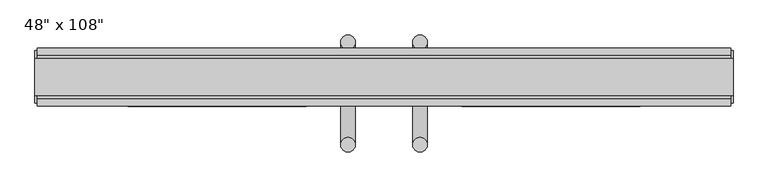
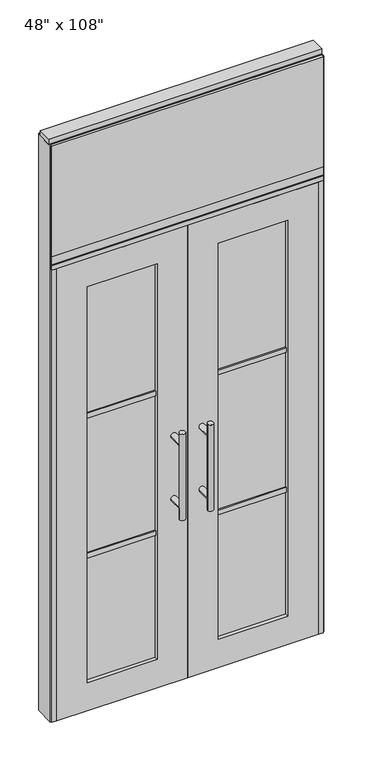
"""IFC4 building model written with IfcOpenShell, lengths in millimetres: furniture geometry."""

import ifcopenshell
import ifcopenshell.guid

model = None  # the IFC model being written
_history = None  # IfcOwnerHistory: only IFC2X3 demands one
_inside = {}  # id of a spatial element -> (the spatial element, [elements in it])
_under = {}  # id of a project, library or spatial element -> (it, [spatial elements below it])
_declared = {}  # id of a project -> (the project, [libraries it declares])
_typed = {}  # id of a type object -> (the type object, [elements of that type])
_made_of = {}  # id of a material, layer set ... -> (it, [elements and type objects made of it])


def new_model(schema):
    """Start an empty IFC model of exactly this schema.

    Asked for "IFC4X3", IfcOpenShell would pick the latest addendum, in which some entities
    have other attributes; the version numbers below select the first issue.
    IFC2X3 requires an IfcOwnerHistory on every rooted entity: one is made here for all.
    """
    global model, _history
    if schema == "IFC4X3":
        model = ifcopenshell.file(schema_version=(4, 3, 0, 0))
    else:
        model = ifcopenshell.file(schema=schema)
    _inside.clear()
    _under.clear()
    _declared.clear()
    _typed.clear()
    _made_of.clear()
    _history = None
    if model.schema == "IFC2X3":
        org = make("IfcOrganization", Name="unknown")
        user = make(
            "IfcPersonAndOrganization",
            ThePerson=make("IfcPerson", FamilyName="unknown"),
            TheOrganization=org,
        )
        app = make(
            "IfcApplication",
            ApplicationDeveloper=org,
            Version="unknown",
            ApplicationFullName="unknown",
            ApplicationIdentifier="unknown",
        )
        _history = make(
            "IfcOwnerHistory",
            OwningUser=user,
            OwningApplication=app,
            ChangeAction="ADDED",
            CreationDate=0,
        )
    return model


def make(cls, **values):
    """One entity of the class cls with the attributes given. An attribute that is None is left unset."""
    return model.create_entity(
        cls, **{name: value for name, value in values.items() if value is not None}
    )


def rooted(cls, **values):
    """An entity with a GlobalId (a new one), such as an element, a storey or a relation."""
    return make(cls, GlobalId=ifcopenshell.guid.new(), OwnerHistory=_history, **values)


def si_unit(unit_type, name, prefix=None):
    """IfcSIUnit, for example si_unit("LENGTHUNIT", "METRE", prefix="MILLI")."""
    return make("IfcSIUnit", UnitType=unit_type, Prefix=prefix, Name=name)


def assignment(units):
    """IfcUnitAssignment: the units of a project."""
    return None if units is None else make("IfcUnitAssignment", Units=units)


def point(xyz):
    """IfcCartesianPoint."""
    return None if xyz is None else make("IfcCartesianPoint", Coordinates=xyz)


def direction(xyz):
    """IfcDirection."""
    return None if xyz is None else make("IfcDirection", DirectionRatios=xyz)


def frame(location, z_axis=None, x_axis=None):
    """IfcAxis2Placement3D, a coordinate frame: its origin and axes. An axis left out is left unset."""
    return make(
        "IfcAxis2Placement3D",
        Location=point(location),
        Axis=direction(z_axis),
        RefDirection=direction(x_axis),
    )


def origin():
    """The frame at (0, 0, 0) with its axes left unset."""
    return frame((0.0, 0.0, 0.0))


def origin_with_axes():
    """The frame at (0, 0, 0) with the z axis (0, 0, 1) and the x axis (1, 0, 0) written out."""
    return frame((0.0, 0.0, 0.0), z_axis=(0.0, 0.0, 1.0), x_axis=(1.0, 0.0, 0.0))


def place(relative_to, where):
    """IfcLocalPlacement: puts the frame where relative to a parent placement (None: the world)."""
    return make(
        "IfcLocalPlacement", PlacementRelTo=relative_to, RelativePlacement=where
    )


def context(
    kind, dimensions, precision=None, world=None, true_north=None, identifier=None
):
    """IfcGeometricRepresentationContext, for example the 3D "Model" context."""
    return make(
        "IfcGeometricRepresentationContext",
        ContextIdentifier=identifier,
        ContextType=kind,
        CoordinateSpaceDimension=dimensions,
        Precision=precision,
        WorldCoordinateSystem=world,
        TrueNorth=true_north,
    )


def project(units=None, contexts=None):
    """IfcProject with its units and contexts."""
    return rooted(
        "IfcProject",
        Name="project",
        RepresentationContexts=contexts,
        UnitsInContext=assignment(units),
    )


def spatial(cls, under=None, at=None, **own):
    """A site, building, storey or space (cls), placed at a placement, below another one or the project."""
    s = rooted(cls, ObjectPlacement=at, **own)
    if under is not None:
        _under.setdefault(under.id(), (under, []))[1].append(s)
    return s


def polyline(points):
    """IfcPolyline through the points."""
    return make("IfcPolyline", Points=[point(p) for p in points])


def circle_curve(where, radius):
    """IfcCircle in the frame where."""
    return make("IfcCircle", Position=where, Radius=radius)


def ellipse_curve(where, semi_axis1, semi_axis2):
    """IfcEllipse in the frame where."""
    return make(
        "IfcEllipse", Position=where, SemiAxis1=semi_axis1, SemiAxis2=semi_axis2
    )


def outline(outer, holes=None, kind="AREA"):
    """IfcArbitraryClosedProfileDef: a profile drawn as a closed curve; with holes, ...WithVoids."""
    if holes is None:
        return make("IfcArbitraryClosedProfileDef", ProfileType=kind, OuterCurve=outer)
    return make(
        "IfcArbitraryProfileDefWithVoids",
        ProfileType=kind,
        OuterCurve=outer,
        InnerCurves=holes,
    )


def extrude(swept, where, along, depth):
    """IfcExtrudedAreaSolid: the profile swept, set in the frame where, extruded along a direction by depth."""
    return make(
        "IfcExtrudedAreaSolid",
        SweptArea=swept,
        Position=where,
        ExtrudedDirection=direction(along),
        Depth=depth,
    )


def shape(context_of_items, identifier, shape_type, items):
    """IfcShapeRepresentation: the items that make up one representation, for example the "Body"."""
    return make(
        "IfcShapeRepresentation",
        ContextOfItems=context_of_items,
        RepresentationIdentifier=identifier,
        RepresentationType=shape_type,
        Items=items,
    )


def source(mapping_origin, context_of_items, identifier, shape_type, items):
    """IfcRepresentationMap: a shape defined once, which mapped items show again and again."""
    return make(
        "IfcRepresentationMap",
        MappingOrigin=mapping_origin,
        MappedRepresentation=shape(context_of_items, identifier, shape_type, items),
    )


def transform(
    local_origin,
    x_axis=None,
    y_axis=None,
    z_axis=None,
    scale=None,
    scale2=None,
    scale3=None,
    uniform=True,
):
    """IfcCartesianTransformationOperator3D, or its non-uniform kind. x_axis, y_axis, z_axis: its Axis1, 2, 3."""
    if uniform:
        return make(
            "IfcCartesianTransformationOperator3D",
            Axis1=direction(x_axis),
            Axis2=direction(y_axis),
            LocalOrigin=point(local_origin),
            Scale=scale,
            Axis3=direction(z_axis),
        )
    return make(
        "IfcCartesianTransformationOperator3DnonUniform",
        Axis1=direction(x_axis),
        Axis2=direction(y_axis),
        LocalOrigin=point(local_origin),
        Scale=scale,
        Axis3=direction(z_axis),
        Scale2=scale2,
        Scale3=scale3,
    )


def mapped(mapping_source, mapping_target):
    """IfcMappedItem: shows the shape of a source again, moved by a transform."""
    return make(
        "IfcMappedItem", MappingSource=mapping_source, MappingTarget=mapping_target
    )


def made_of(thing, what):
    """Note that an element or type object is made of a material, layer set ...; save() writes the relation."""
    if what is not None:
        _made_of.setdefault(what.id(), (what, []))[1].append(thing)
    return thing


def element(
    cls,
    number,
    at=None,
    inside=None,
    cuts=None,
    type_object=None,
    material=None,
    context=None,
    identifier="Body",
    shape_type=None,
    held_by="IfcProductDefinitionShape",
    body=None,
    shapes=None,
    **own,
):
    """One element of the class cls, such as IfcWall. Its Tag is "e" and its number.

    at: its placement. inside: the storey or other place that contains it. cuts: it is an
    opening in that element (IfcRelVoidsElement). A single representation is given by context,
    identifier, shape_type and body (its items); several are given by shapes. held_by: the class
    of the entity that holds the representations. save() writes the other relations.
    """
    e = rooted(cls, Tag="e%d" % number, ObjectPlacement=at, **own)
    if body is not None:
        shapes = [shape(context, identifier, shape_type, body)]
    if shapes is not None:
        e.Representation = make(held_by, Representations=shapes)
    if inside is not None:
        _inside.setdefault(inside.id(), (inside, []))[1].append(e)
    if cuts is not None:
        rooted(
            "IfcRelVoidsElement", RelatingBuildingElement=cuts, RelatedOpeningElement=e
        )
    if type_object is not None:
        _typed.setdefault(type_object.id(), (type_object, []))[1].append(e)
    return made_of(e, material)


def aggregate(whole, parts):
    """IfcRelAggregates: a whole, such as a stair, and the parts it consists of."""
    return rooted("IfcRelAggregates", RelatingObject=whole, RelatedObjects=parts)


def save(model, path):
    """Write the relations noted so far, then the file.

    IfcRelAggregates (storeys below a building ...), IfcRelContainedInSpatialStructure (elements
    in a storey), IfcRelDefinesByType, IfcRelAssociatesMaterial and IfcRelDeclares: one each for
    every whole, place, type object, material and project.
    """
    for whole, parts in _under.values():
        aggregate(whole, parts)
    for where, things in _inside.values():
        rooted(
            "IfcRelContainedInSpatialStructure",
            RelatedElements=things,
            RelatingStructure=where,
        )
    for kind, things in _typed.values():
        rooted("IfcRelDefinesByType", RelatedObjects=things, RelatingType=kind)
    for what, things in _made_of.values():
        rooted("IfcRelAssociatesMaterial", RelatedObjects=things, RelatingMaterial=what)
    for by, libraries in _declared.values():
        rooted("IfcRelDeclares", RelatingContext=by, RelatedDefinitions=libraries)
    model.write(path)


def plane_surface(at):
    """IfcPlane: the flat surface through the origin of the frame at, square to its z axis."""
    return make("IfcPlane", Position=at)


def cylinder_surface(at, radius):
    """IfcCylindricalSurface: all points at the distance radius from the z axis of the frame at."""
    return make("IfcCylindricalSurface", Position=at, Radius=radius)


def advanced_brep(points, edges, surfaces, faces):
    """IfcAdvancedBrep: a solid bounded by faces that lie on surfaces and meet in shared edges.

    An edge is (start, end): straight between two places in points (the first is 0);
    or (start, end, curve); or (start, end, curve, False) where it runs against its curve.
    A face is (place in surfaces, loops), or (place, loops, False) where it looks against
    its surface's normal. A loop lists edges by number (the first is 1), with a minus sign
    where the edge is run from its end to its start. The first loop is the outer one.
    """
    corners = [point(p) for p in points]
    vertices = [make("IfcVertexPoint", VertexGeometry=c) for c in corners]
    made = []
    for start, end, *more in edges:
        made.append(
            make(
                "IfcEdgeCurve",
                EdgeStart=vertices[start],
                EdgeEnd=vertices[end],
                EdgeGeometry=more[0] if more else make("IfcPolyline", Points=[corners[start], corners[end]]),
                SameSense=more[1] if len(more) > 1 else True,
            )
        )
    hull = []
    for where, loops, *sense in faces:
        bounds = []
        for j, loop in enumerate(loops):
            ring = [make("IfcOrientedEdge", EdgeElement=made[abs(k) - 1], Orientation=k > 0) for k in loop]
            bounds.append(
                make(
                    "IfcFaceOuterBound" if j == 0 else "IfcFaceBound",
                    Bound=make("IfcEdgeLoop", EdgeList=ring),
                    Orientation=True,
                )
            )
        hull.append(make("IfcAdvancedFace", Bounds=bounds, FaceSurface=surfaces[where], SameSense=sense[0] if sense else True))
    return make("IfcAdvancedBrep", Outer=make("IfcClosedShell", CfsFaces=hull))


def furniture_eb99c25f(model_context):
    return source(origin(), model_context, "Body", "SolidModel", [
        extrude(outline(polyline([(545.6264771, 46.2822784), (545.6264771, 33.5822784), (-665.6995229, 33.5822784), (-665.6995229, 46.2822784), (545.6264771, 46.2822784)])), frame((0.0, 0.0, 2197.1), z_axis=(0.0, 0.0, 1.0), x_axis=(1.0, 0.0, 0.0)), (0.0, 0.0, 1.0), 520.7),
        extrude(outline(polyline([(545.6264771, -55.3177216), (-665.6995229, -55.3177216), (-665.6995229, -42.6177216), (545.6264771, -42.6177216), (545.6264771, -55.3177216)])), frame((0.0, 0.0, 2197.1), z_axis=(0.0, 0.0, 1.0), x_axis=(1.0, 0.0, 0.0)), (0.0, 0.0, 1.0), 520.7),
        advanced_brep(
        [(-110.0745229, 56.6962784, 1219.2), (-135.4745229, 56.6962784, 1219.2), (-110.0745229, 56.6962784, 812.8), (-135.4745229, 56.6962784, 812.8), (-110.0745229, 56.6962784, 1164.336), (-110.0745229, 56.6962784, 867.664), (-135.4745229, 56.6962784, 867.664), (-135.4745229, 56.6962784, 1164.336), (-110.0745229, -10.8677216, 1164.336), (-135.4745229, -10.8677216, 1164.336), (-110.0745229, -10.8677216, 867.664), (-135.4745229, -10.8677216, 867.664)],
        [
            (0, 1, circle_curve(frame((-122.7745229, 56.6962784, 1219.2), z_axis=(0.0, 0.0, 1.0), x_axis=(-1.0, 0.0, 0.0)), 12.7)),
            (1, 0, circle_curve(frame((-122.7745229, 56.6962784, 1219.2), z_axis=(0.0, 0.0, 1.0), x_axis=(-1.0, 0.0, 0.0)), 12.7)),
            (2, 3, circle_curve(frame((-122.7745229, 56.6962784, 812.8), z_axis=(0.0, 0.0, -1.0), x_axis=(-1.0, 0.0, 0.0)), 12.7)),
            (3, 2, circle_curve(frame((-122.7745229, 56.6962784, 812.8), z_axis=(0.0, 0.0, -1.0), x_axis=(-1.0, 0.0, 0.0)), 12.7)),
            (0, 4),
            (4, 5),
            (5, 2),
            (3, 6),
            (6, 7),
            (7, 1),
            (7, 4, ellipse_curve(frame((-122.7745229, 56.6962784, 1164.336), z_axis=(0.0, 0.707106781186565, 0.70710678118653), x_axis=(0.0, -0.70710678118653, 0.707106781186565)), 17.9605122, 12.7)),
            (5, 6, ellipse_curve(frame((-122.7745229, 56.6962784, 867.664), z_axis=(0.0, 0.70710678118653, -0.7071067811865649), x_axis=(0.0, 0.7071067811865648, 0.7071067811865301)), 17.9605122, 12.7)),
            (4, 7, ellipse_curve(frame((-122.7745229, 56.6962784, 1164.336), z_axis=(0.0, 0.70710678118653, -0.7071067811865649), x_axis=(0.0, 0.7071067811865648, 0.7071067811865301)), 17.9605122, 12.7)),
            (6, 5, ellipse_curve(frame((-122.7745229, 56.6962784, 867.664), z_axis=(0.0, 0.707106781186565, 0.70710678118653), x_axis=(0.0, -0.70710678118653, 0.707106781186565)), 17.9605122, 12.7)),
            (8, 9, circle_curve(frame((-122.7745229, -10.8677216, 1164.336), z_axis=(0.0, -1.0, 0.0), x_axis=(-1.0, 0.0, 0.0)), 12.7)),
            (9, 8, circle_curve(frame((-122.7745229, -10.8677216, 1164.336), z_axis=(0.0, -1.0, 0.0), x_axis=(-1.0, 0.0, 0.0)), 12.7)),
            (9, 7),
            (4, 8),
            (10, 11, circle_curve(frame((-122.7745229, -10.8677216, 867.664), z_axis=(0.0, -1.0, 0.0), x_axis=(-1.0, 0.0, 0.0)), 12.7)),
            (11, 10, circle_curve(frame((-122.7745229, -10.8677216, 867.664), z_axis=(0.0, -1.0, 0.0), x_axis=(-1.0, 0.0, 0.0)), 12.7)),
            (11, 6),
            (5, 10),
        ],
        [
            plane_surface(frame((-135.4745229, 56.6962784, 1219.2), z_axis=(0.0, 0.0, 1.0), x_axis=(0.0, -1.0, 0.0))),
            plane_surface(frame((-135.4745229, 56.6962784, 812.8), z_axis=(0.0, 0.0, -1.0), x_axis=(0.0, 1.0, 0.0))),
            cylinder_surface(frame((-122.7745229, 56.6962784, 812.8), z_axis=(0.0, 0.0, 1.0), x_axis=(-1.0, 0.0, 0.0)), 12.7),
            plane_surface(frame((-135.4745229, -10.8677216, 1164.336), z_axis=(0.0, -1.0, 0.0), x_axis=(0.0, 0.0, -1.0))),
            cylinder_surface(frame((-122.7745229, -10.8677216, 1164.336), z_axis=(0.0, 1.0, 0.0), x_axis=(-1.0, 0.0, 0.0)), 12.7),
            plane_surface(frame((-135.4745229, -10.8677216, 867.664), z_axis=(0.0, -1.0, 0.0), x_axis=(0.0, 0.0, -1.0))),
            cylinder_surface(frame((-122.7745229, -10.8677216, 867.664), z_axis=(0.0, 1.0, 0.0), x_axis=(-1.0, 0.0, 0.0)), 12.7),
        ],
        [
            (0, [[1, 2]]),
            (1, [[3, 4]]),
            (2, [[-1, 5, 6, 7, -4, 8, 9, 10]]),
            (2, [[-2, -10, 11, -5]]),
            (2, [[-3, -7, 12, -8]]),
            (2, [[13, -9, 14, -6]]),
            (3, [[15, 16]]),
            (4, [[-16, 17, -13, 18]]),
            (4, [[-15, -18, -11, -17]]),
            (5, [[19, 20]]),
            (6, [[-20, 21, -12, 22]]),
            (6, [[-19, -22, -14, -21]]),
        ],
    ),
        advanced_brep(
        [(-110.0745229, -122.8817216, 1219.2), (-135.4745229, -122.8817216, 1219.2), (-110.0745229, -122.8817216, 812.8), (-135.4745229, -122.8817216, 812.8), (-135.4745229, -122.8817216, 1164.336), (-135.4745229, -122.8817216, 867.664), (-110.0745229, -122.8817216, 867.664), (-110.0745229, -122.8817216, 1164.336), (-110.0745229, -55.3177216, 1164.336), (-135.4745229, -55.3177216, 1164.336), (-110.0745229, -55.3177216, 867.664), (-135.4745229, -55.3177216, 867.664)],
        [
            (0, 1, circle_curve(frame((-122.7745229, -122.8817216, 1219.2), z_axis=(0.0, 0.0, 1.0), x_axis=(-1.0, 0.0, 0.0)), 12.7)),
            (1, 0, circle_curve(frame((-122.7745229, -122.8817216, 1219.2), z_axis=(0.0, 0.0, 1.0), x_axis=(-1.0, 0.0, 0.0)), 12.7)),
            (2, 3, circle_curve(frame((-122.7745229, -122.8817216, 812.8), z_axis=(0.0, 0.0, -1.0), x_axis=(-1.0, 0.0, 0.0)), 12.7)),
            (3, 2, circle_curve(frame((-122.7745229, -122.8817216, 812.8), z_axis=(0.0, 0.0, -1.0), x_axis=(-1.0, 0.0, 0.0)), 12.7)),
            (1, 4),
            (4, 5),
            (5, 3),
            (2, 6),
            (6, 7),
            (7, 0),
            (6, 5, ellipse_curve(frame((-122.7745229, -122.8817216, 867.664), z_axis=(0.0, -0.707106781186565, 0.70710678118653), x_axis=(0.0, 0.70710678118653, 0.707106781186565)), 17.9605122, 12.7)),
            (4, 7, ellipse_curve(frame((-122.7745229, -122.8817216, 1164.336), z_axis=(0.0, -0.70710678118653, -0.7071067811865649), x_axis=(0.0, -0.7071067811865648, 0.7071067811865301)), 17.9605122, 12.7)),
            (7, 4, ellipse_curve(frame((-122.7745229, -122.8817216, 1164.336), z_axis=(0.0, -0.707106781186565, 0.70710678118653), x_axis=(0.0, 0.70710678118653, 0.707106781186565)), 17.9605122, 12.7)),
            (5, 6, ellipse_curve(frame((-122.7745229, -122.8817216, 867.664), z_axis=(0.0, -0.70710678118653, -0.7071067811865649), x_axis=(0.0, -0.7071067811865648, 0.7071067811865301)), 17.9605122, 12.7)),
            (8, 9, circle_curve(frame((-122.7745229, -55.3177216, 1164.336), z_axis=(0.0, 1.0, 0.0), x_axis=(-1.0, 0.0, 0.0)), 12.7)),
            (9, 8, circle_curve(frame((-122.7745229, -55.3177216, 1164.336), z_axis=(0.0, 1.0, 0.0), x_axis=(-1.0, 0.0, 0.0)), 12.7)),
            (8, 7),
            (4, 9),
            (10, 11, circle_curve(frame((-122.7745229, -55.3177216, 867.664), z_axis=(0.0, 1.0, 0.0), x_axis=(-1.0, 0.0, 0.0)), 12.7)),
            (11, 10, circle_curve(frame((-122.7745229, -55.3177216, 867.664), z_axis=(0.0, 1.0, 0.0), x_axis=(-1.0, 0.0, 0.0)), 12.7)),
            (10, 6),
            (5, 11),
        ],
        [
            plane_surface(frame((-135.4745229, -122.8817216, 1219.2), z_axis=(0.0, 0.0, 1.0), x_axis=(0.0, 1.0, 0.0))),
            plane_surface(frame((-135.4745229, -122.8817216, 812.8), z_axis=(0.0, 0.0, -1.0), x_axis=(0.0, -1.0, 0.0))),
            cylinder_surface(frame((-122.7745229, -122.8817216, 812.8), z_axis=(0.0, 0.0, 1.0), x_axis=(-1.0, 0.0, 0.0)), 12.7),
            plane_surface(frame((-135.4745229, -55.3177216, 1164.336), z_axis=(0.0, 1.0, 0.0), x_axis=(0.0, 0.0, -1.0))),
            cylinder_surface(frame((-122.7745229, -55.3177216, 1164.336), z_axis=(0.0, -1.0, 0.0), x_axis=(-1.0, 0.0, 0.0)), 12.7),
            plane_surface(frame((-135.4745229, -55.3177216, 867.664), z_axis=(0.0, 1.0, 0.0), x_axis=(0.0, 0.0, -1.0))),
            cylinder_surface(frame((-122.7745229, -55.3177216, 867.664), z_axis=(0.0, -1.0, 0.0), x_axis=(-1.0, 0.0, 0.0)), 12.7),
        ],
        [
            (0, [[1, 2]]),
            (1, [[3, 4]]),
            (2, [[5, 6, 7, -3, 8, 9, 10, -2]]),
            (2, [[-9, 11, -6, 12]]),
            (2, [[-10, 13, -5, -1]]),
            (2, [[-7, 14, -8, -4]]),
            (3, [[15, 16]]),
            (4, [[17, -12, 18, -15]]),
            (4, [[-18, -13, -17, -16]]),
            (5, [[19, 20]]),
            (6, [[21, -14, 22, -19]]),
            (6, [[-22, -11, -21, -20]]),
        ],
    ),
        extrude(outline(polyline([(-196.0535229, -44.2052216), (-507.4575229, -44.2052216), (-507.4575229, -21.9802216), (-196.0535229, -21.9802216), (-196.0535229, -44.2052216)])), frame((0.0, 0.0, 1371.6), z_axis=(0.0, 0.0, 1.0), x_axis=(1.0, 0.0, 0.0)), (0.0, 0.0, 1.0), 22.225),
        extrude(outline(polyline([(-196.0535229, -44.2052216), (-507.4575229, -44.2052216), (-507.4575229, -21.9802216), (-196.0535229, -21.9802216), (-196.0535229, -44.2052216)])), frame((0.0, 0.0, 711.2), z_axis=(0.0, 0.0, 1.0), x_axis=(1.0, 0.0, 0.0)), (0.0, 0.0, 1.0), 22.225),
        extrude(outline(polyline([(-507.4575229, -38.1727216), (-507.4575229, -28.0127216), (-196.0535229, -28.0127216), (-196.0535229, -38.1727216), (-507.4575229, -38.1727216)])), frame((0.0, 0.0, 132.969), z_axis=(0.0, 0.0, 1.0), x_axis=(1.0, 0.0, 0.0)), (0.0, 0.0, 1.0), 1867.662),
        extrude(outline(polyline([(2133.6, -643.4745229), (0.0, -643.4745229), (0.0, -60.0365229), (2133.6, -60.0365229), (2133.6, -643.4745229)]), holes=[polyline([(2000.631, -507.4575229), (2000.631, -196.0535229), (132.969, -196.0535229), (132.969, -507.4575229), (2000.631, -507.4575229)])]), frame((0.0, -55.3177216, 0.0), z_axis=(0.0, 1.0, 0.0), x_axis=(0.0, 0.0, 1.0)), (0.0, 0.0, 1.0), 44.45),
        advanced_brep(
        [(-9.9985229, 56.6962784, 1219.2), (15.4014771, 56.6962784, 1219.2), (-9.9985229, 56.6962784, 812.8), (15.4014771, 56.6962784, 812.8), (15.4014771, 56.6962784, 1164.336), (15.4014771, 56.6962784, 867.664), (-9.9985229, 56.6962784, 867.664), (-9.9985229, 56.6962784, 1164.336), (-9.9985229, -10.8677216, 1164.336), (15.4014771, -10.8677216, 1164.336), (-9.9985229, -10.8677216, 867.664), (15.4014771, -10.8677216, 867.664)],
        [
            (0, 1, circle_curve(frame((2.7014771, 56.6962784, 1219.2), z_axis=(0.0, 0.0, 1.0), x_axis=(1.0, 0.0, 0.0)), 12.7)),
            (1, 0, circle_curve(frame((2.7014771, 56.6962784, 1219.2), z_axis=(0.0, 0.0, 1.0), x_axis=(1.0, 0.0, 0.0)), 12.7)),
            (2, 3, circle_curve(frame((2.7014771, 56.6962784, 812.8), z_axis=(0.0, 0.0, -1.0), x_axis=(1.0, 0.0, 0.0)), 12.7)),
            (3, 2, circle_curve(frame((2.7014771, 56.6962784, 812.8), z_axis=(0.0, 0.0, -1.0), x_axis=(1.0, 0.0, 0.0)), 12.7)),
            (1, 4),
            (4, 5),
            (5, 3),
            (2, 6),
            (6, 7),
            (7, 0),
            (6, 5, ellipse_curve(frame((2.7014771, 56.6962784, 867.664), z_axis=(0.0, 0.707106781186565, 0.70710678118653), x_axis=(0.0, -0.70710678118653, 0.707106781186565)), 17.9605122, 12.7)),
            (4, 7, ellipse_curve(frame((2.7014771, 56.6962784, 1164.336), z_axis=(0.0, 0.70710678118653, -0.7071067811865649), x_axis=(0.0, 0.7071067811865648, 0.7071067811865301)), 17.9605122, 12.7)),
            (7, 4, ellipse_curve(frame((2.7014771, 56.6962784, 1164.336), z_axis=(0.0, 0.707106781186565, 0.70710678118653), x_axis=(0.0, -0.70710678118653, 0.707106781186565)), 17.9605122, 12.7)),
            (5, 6, ellipse_curve(frame((2.7014771, 56.6962784, 867.664), z_axis=(0.0, 0.70710678118653, -0.7071067811865649), x_axis=(0.0, 0.7071067811865648, 0.7071067811865301)), 17.9605122, 12.7)),
            (8, 9, circle_curve(frame((2.7014771, -10.8677216, 1164.336), z_axis=(0.0, -1.0, 0.0), x_axis=(1.0, 0.0, 0.0)), 12.7)),
            (9, 8, circle_curve(frame((2.7014771, -10.8677216, 1164.336), z_axis=(0.0, -1.0, 0.0), x_axis=(1.0, 0.0, 0.0)), 12.7)),
            (8, 7),
            (4, 9),
            (10, 11, circle_curve(frame((2.7014771, -10.8677216, 867.664), z_axis=(0.0, -1.0, 0.0), x_axis=(1.0, 0.0, 0.0)), 12.7)),
            (11, 10, circle_curve(frame((2.7014771, -10.8677216, 867.664), z_axis=(0.0, -1.0, 0.0), x_axis=(1.0, 0.0, 0.0)), 12.7)),
            (10, 6),
            (5, 11),
        ],
        [
            plane_surface(frame((15.4014771, 56.6962784, 1219.2), z_axis=(0.0, 0.0, 1.0), x_axis=(0.0, -1.0, 0.0))),
            plane_surface(frame((15.4014771, 56.6962784, 812.8), z_axis=(0.0, 0.0, -1.0), x_axis=(0.0, 1.0, 0.0))),
            cylinder_surface(frame((2.7014771, 56.6962784, 812.8), z_axis=(0.0, 0.0, 1.0), x_axis=(1.0, 0.0, 0.0)), 12.7),
            plane_surface(frame((15.4014771, -10.8677216, 1164.336), z_axis=(0.0, -1.0, 0.0), x_axis=(0.0, 0.0, -1.0))),
            cylinder_surface(frame((2.7014771, -10.8677216, 1164.336), z_axis=(0.0, 1.0, 0.0), x_axis=(1.0, 0.0, 0.0)), 12.7),
            plane_surface(frame((15.4014771, -10.8677216, 867.664), z_axis=(0.0, -1.0, 0.0), x_axis=(0.0, 0.0, -1.0))),
            cylinder_surface(frame((2.7014771, -10.8677216, 867.664), z_axis=(0.0, 1.0, 0.0), x_axis=(1.0, 0.0, 0.0)), 12.7),
        ],
        [
            (0, [[1, 2]]),
            (1, [[3, 4]]),
            (2, [[5, 6, 7, -3, 8, 9, 10, -2]]),
            (2, [[-9, 11, -6, 12]]),
            (2, [[-10, 13, -5, -1]]),
            (2, [[-7, 14, -8, -4]]),
            (3, [[15, 16]]),
            (4, [[17, -12, 18, -15]]),
            (4, [[-18, -13, -17, -16]]),
            (5, [[19, 20]]),
            (6, [[21, -14, 22, -19]]),
            (6, [[-22, -11, -21, -20]]),
        ],
    ),
        advanced_brep(
        [(-9.9985229, -122.8817216, 1219.2), (15.4014771, -122.8817216, 1219.2), (-9.9985229, -122.8817216, 812.8), (15.4014771, -122.8817216, 812.8), (-9.9985229, -122.8817216, 1164.336), (-9.9985229, -122.8817216, 867.664), (15.4014771, -122.8817216, 867.664), (15.4014771, -122.8817216, 1164.336), (-9.9985229, -55.3177216, 1164.336), (15.4014771, -55.3177216, 1164.336), (-9.9985229, -55.3177216, 867.664), (15.4014771, -55.3177216, 867.664)],
        [
            (0, 1, circle_curve(frame((2.7014771, -122.8817216, 1219.2), z_axis=(0.0, 0.0, 1.0), x_axis=(1.0, 0.0, 0.0)), 12.7)),
            (1, 0, circle_curve(frame((2.7014771, -122.8817216, 1219.2), z_axis=(0.0, 0.0, 1.0), x_axis=(1.0, 0.0, 0.0)), 12.7)),
            (2, 3, circle_curve(frame((2.7014771, -122.8817216, 812.8), z_axis=(0.0, 0.0, -1.0), x_axis=(1.0, 0.0, 0.0)), 12.7)),
            (3, 2, circle_curve(frame((2.7014771, -122.8817216, 812.8), z_axis=(0.0, 0.0, -1.0), x_axis=(1.0, 0.0, 0.0)), 12.7)),
            (0, 4),
            (4, 5),
            (5, 2),
            (3, 6),
            (6, 7),
            (7, 1),
            (7, 4, ellipse_curve(frame((2.7014771, -122.8817216, 1164.336), z_axis=(0.0, -0.707106781186565, 0.70710678118653), x_axis=(0.0, 0.70710678118653, 0.707106781186565)), 17.9605122, 12.7)),
            (5, 6, ellipse_curve(frame((2.7014771, -122.8817216, 867.664), z_axis=(0.0, -0.70710678118653, -0.7071067811865649), x_axis=(0.0, -0.7071067811865648, 0.7071067811865301)), 17.9605122, 12.7)),
            (4, 7, ellipse_curve(frame((2.7014771, -122.8817216, 1164.336), z_axis=(0.0, -0.70710678118653, -0.7071067811865649), x_axis=(0.0, -0.7071067811865648, 0.7071067811865301)), 17.9605122, 12.7)),
            (6, 5, ellipse_curve(frame((2.7014771, -122.8817216, 867.664), z_axis=(0.0, -0.707106781186565, 0.70710678118653), x_axis=(0.0, 0.70710678118653, 0.707106781186565)), 17.9605122, 12.7)),
            (8, 9, circle_curve(frame((2.7014771, -55.3177216, 1164.336), z_axis=(0.0, 1.0, 0.0), x_axis=(1.0, 0.0, 0.0)), 12.7)),
            (9, 8, circle_curve(frame((2.7014771, -55.3177216, 1164.336), z_axis=(0.0, 1.0, 0.0), x_axis=(1.0, 0.0, 0.0)), 12.7)),
            (9, 7),
            (4, 8),
            (10, 11, circle_curve(frame((2.7014771, -55.3177216, 867.664), z_axis=(0.0, 1.0, 0.0), x_axis=(1.0, 0.0, 0.0)), 12.7)),
            (11, 10, circle_curve(frame((2.7014771, -55.3177216, 867.664), z_axis=(0.0, 1.0, 0.0), x_axis=(1.0, 0.0, 0.0)), 12.7)),
            (11, 6),
            (5, 10),
        ],
        [
            plane_surface(frame((15.4014771, -122.8817216, 1219.2), z_axis=(0.0, 0.0, 1.0), x_axis=(0.0, 1.0, 0.0))),
            plane_surface(frame((15.4014771, -122.8817216, 812.8), z_axis=(0.0, 0.0, -1.0), x_axis=(0.0, -1.0, 0.0))),
            cylinder_surface(frame((2.7014771, -122.8817216, 812.8), z_axis=(0.0, 0.0, 1.0), x_axis=(1.0, 0.0, 0.0)), 12.7),
            plane_surface(frame((15.4014771, -55.3177216, 1164.336), z_axis=(0.0, 1.0, 0.0), x_axis=(0.0, 0.0, -1.0))),
            cylinder_surface(frame((2.7014771, -55.3177216, 1164.336), z_axis=(0.0, -1.0, 0.0), x_axis=(1.0, 0.0, 0.0)), 12.7),
            plane_surface(frame((15.4014771, -55.3177216, 867.664), z_axis=(0.0, 1.0, 0.0), x_axis=(0.0, 0.0, -1.0))),
            cylinder_surface(frame((2.7014771, -55.3177216, 867.664), z_axis=(0.0, -1.0, 0.0), x_axis=(1.0, 0.0, 0.0)), 12.7),
        ],
        [
            (0, [[1, 2]]),
            (1, [[3, 4]]),
            (2, [[-1, 5, 6, 7, -4, 8, 9, 10]]),
            (2, [[-2, -10, 11, -5]]),
            (2, [[-3, -7, 12, -8]]),
            (2, [[13, -9, 14, -6]]),
            (3, [[15, 16]]),
            (4, [[-16, 17, -13, 18]]),
            (4, [[-15, -18, -11, -17]]),
            (5, [[19, 20]]),
            (6, [[-20, 21, -12, 22]]),
            (6, [[-19, -22, -14, -21]]),
        ],
    ),
        extrude(outline(polyline([(75.9804771, -44.2052216), (75.9804771, -21.9802216), (387.3844771, -21.9802216), (387.3844771, -44.2052216), (75.9804771, -44.2052216)])), frame((0.0, 0.0, 1371.6), z_axis=(0.0, 0.0, 1.0), x_axis=(1.0, 0.0, 0.0)), (0.0, 0.0, 1.0), 22.225),
        extrude(outline(polyline([(75.9804771, -44.2052216), (75.9804771, -21.9802216), (387.3844771, -21.9802216), (387.3844771, -44.2052216), (75.9804771, -44.2052216)])), frame((0.0, 0.0, 711.2), z_axis=(0.0, 0.0, 1.0), x_axis=(1.0, 0.0, 0.0)), (0.0, 0.0, 1.0), 22.225),
        extrude(outline(polyline([(387.3844771, -38.1727216), (75.9804771, -38.1727216), (75.9804771, -28.0127216), (387.3844771, -28.0127216), (387.3844771, -38.1727216)])), frame((0.0, 0.0, 132.969), z_axis=(0.0, 0.0, 1.0), x_axis=(1.0, 0.0, 0.0)), (0.0, 0.0, 1.0), 1867.662),
        extrude(outline(polyline([(2133.6, 523.4014771), (2133.6, -60.0365229), (0.0, -60.0365229), (0.0, 523.4014771), (2133.6, 523.4014771)]), holes=[polyline([(2000.631, 387.3844771), (132.969, 387.3844771), (132.969, 75.9804771), (2000.631, 75.9804771), (2000.631, 387.3844771)])]), frame((0.0, -55.3177216, 0.0), z_axis=(0.0, 1.0, 0.0), x_axis=(0.0, 0.0, 1.0)), (0.0, 0.0, 1.0), 44.45),
        extrude(outline(polyline([(-42.6177216, 2681.478), (-42.6177216, 2717.8), (33.5822784, 2717.8), (33.5822784, 2681.478), (28.6292784, 2681.478), (28.6292784, 2676.525), (-37.6647216, 2676.525), (-37.6647216, 2681.478), (-42.6177216, 2681.478)])), frame((-665.6995229, 0.0, 0.0), z_axis=(1.0, 0.0, 0.0), x_axis=(0.0, 1.0, 0.0)), (0.0, 0.0, 1.0), 1211.326),
        extrude(outline(polyline([(-665.6995229, -55.3177216), (-665.6995229, 46.2822784), (545.6264771, 46.2822784), (545.6264771, -55.3177216), (-665.6995229, -55.3177216)])), frame((0.0, 0.0, 2133.6), z_axis=(0.0, 0.0, 1.0), x_axis=(1.0, 0.0, 0.0)), (0.0, 0.0, 1.0), 22.225),
        extrude(outline(polyline([(-55.3177216, 2160.778), (-55.3177216, 2197.1), (46.2822784, 2197.1), (46.2822784, 2160.778), (41.3292784, 2160.778), (41.3292784, 2155.825), (-50.3647216, 2155.825), (-50.3647216, 2160.778), (-55.3177216, 2160.778)])), frame((-665.6995229, 0.0, 0.0), z_axis=(1.0, 0.0, 0.0), x_axis=(0.0, 1.0, 0.0)), (0.0, 0.0, 1.0), 1211.326),
        extrude(outline(polyline([(549.5634771, -50.3647216), (545.6264771, -50.3647216), (545.6264771, 41.3292784), (549.5634771, 41.3292784), (549.5634771, -50.3647216)])), origin_with_axes(), (0.0, 0.0, 1.0), 2717.8),
        extrude(outline(polyline([(-669.6365229, -50.3647216), (-669.6365229, 41.3292784), (-665.6995229, 41.3292784), (-665.6995229, -50.3647216), (-669.6365229, -50.3647216)])), origin_with_axes(), (0.0, 0.0, 1.0), 2717.8),
        extrude(outline(polyline([(523.4014771, -55.3177216), (523.4014771, 46.2822784), (545.6264771, 46.2822784), (545.6264771, -55.3177216), (523.4014771, -55.3177216)])), origin_with_axes(), (0.0, 0.0, 1.0), 2133.6),
        extrude(outline(polyline([(-643.4745229, -55.3177216), (-665.6995229, -55.3177216), (-665.6995229, 46.2822784), (-643.4745229, 46.2822784), (-643.4745229, -55.3177216)])), origin_with_axes(), (0.0, 0.0, 1.0), 2133.6),
        extrude(outline(polyline([(-669.6365229, -37.0297216), (-669.6365229, 27.9942784), (549.5634771, 27.9942784), (549.5634771, -37.0297216), (-669.6365229, -37.0297216)])), frame((0.0, 0.0, 2717.8), z_axis=(0.0, 0.0, 1.0), x_axis=(1.0, 0.0, 0.0)), (0.0, 0.0, 1.0), 25.4),
    ])


if __name__ == "__main__":
    model = new_model("IFC4")
    model_context = context("Model", 3, world=origin())
    ifc_project = project(units=[si_unit("LENGTHUNIT", "METRE", prefix="MILLI")], contexts=[model_context])
    site = spatial("IfcSite", under=ifc_project)
    building = spatial("IfcBuilding", under=site)
    placement = place(None, origin())
    furniture_shape = furniture_eb99c25f(model_context)
    element("IfcFurniture", 1, ObjectType="48\" x 108\"", at=placement, inside=building, context=model_context, shape_type="MappedRepresentation", body=[
        mapped(furniture_shape, transform((0.0, 0.0, 0.0), x_axis=(1.0, 0.0, 0.0), y_axis=(0.0, 1.0, 0.0), z_axis=(0.0, 0.0, 1.0))),
    ])
    save(model, "model.ifc")
